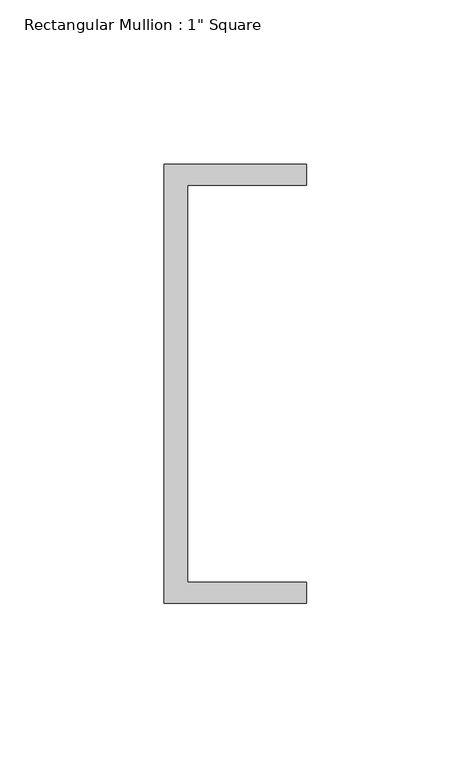
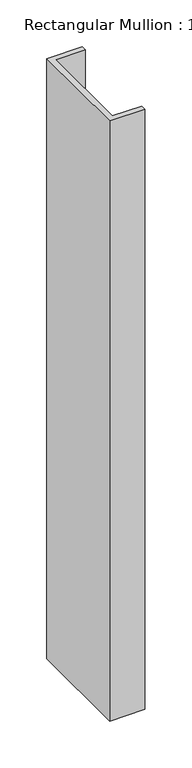
"""IFC4 building model written with IfcOpenShell, lengths in millimetres: member geometry."""

from ifc_helpers import new_model, si_unit, frame, origin, place, context, project, spatial, polyline, outline, extrude, source, transform, mapped, element, save


def member_0134dc96(model_context):
    return source(origin(), model_context, "Body", "SweptSolid", [
        extrude(outline(polyline([(-18.6549463, 135.2608739), (24.5675083, 135.2608739), (24.5675083, 128.9108739), (-11.6110886, 128.9108739), (-11.6110886, 8.2608739), (24.5675083, 8.2608739), (24.5675083, 1.9108739), (-18.6549463, 1.9108739), (-18.6549463, 135.2608739)])), frame((0.0, 0.0, -780.9074143), z_axis=(0.0, 0.0, 1.0), x_axis=(1.0, 0.0, 0.0)), (0.0, 0.0, 1.0), 780.9074143),
    ])


if __name__ == "__main__":
    model = new_model("IFC4")
    model_context = context("Model", 3, world=origin())
    ifc_project = project(units=[si_unit("LENGTHUNIT", "METRE", prefix="MILLI")], contexts=[model_context])
    site = spatial("IfcSite", under=ifc_project)
    building = spatial("IfcBuilding", under=site)
    placement = place(None, origin())
    member_shape = member_0134dc96(model_context)
    element("IfcMember", 1, ObjectType="Rectangular Mullion : 1\" Square", at=placement, inside=building, context=model_context, shape_type="MappedRepresentation", body=[
        mapped(member_shape, transform((0.0, 0.0, 0.0), x_axis=(1.0, 0.0, 0.0), y_axis=(0.0, 1.0, 0.0), z_axis=(0.0, 0.0, 1.0))),
    ])
    save(model, "model.ifc")
